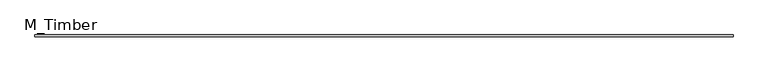
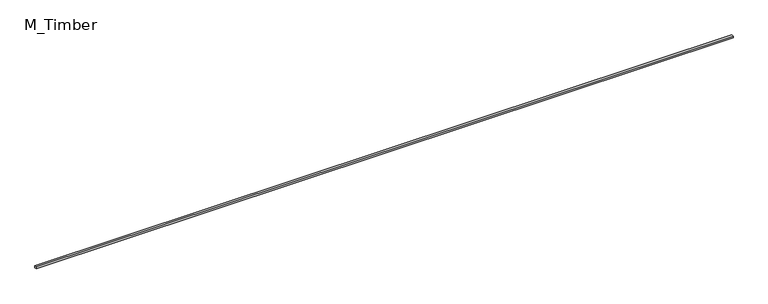
"""IFC4 building model written with IfcOpenShell, lengths in millimetres: beam geometry, M_Timber."""

from ifc_helpers import new_model, si_unit, frame, origin, place, context, project, spatial, polyline, outline, extrude, source, transform, mapped, element, save


def m_timber_0c8c663f(model_context):
    return source(origin(), model_context, "Body", "SweptSolid", [
        extrude(outline(polyline([(6992.6341998, 20.0), (6992.6341998, -20.0), (-6992.6341998, -20.0), (-6992.6341998, 20.0), (6992.6341998, 20.0)])), frame((0.0, 0.0, -20.0), z_axis=(0.0, 0.0, 1.0), x_axis=(1.0, 0.0, 0.0)), (0.0, 0.0, 1.0), 40.0),
    ])


if __name__ == "__main__":
    model = new_model("IFC4")
    model_context = context("Model", 3, world=origin())
    ifc_project = project(units=[si_unit("LENGTHUNIT", "METRE", prefix="MILLI")], contexts=[model_context])
    site = spatial("IfcSite", under=ifc_project)
    building = spatial("IfcBuilding", under=site)
    placement = place(None, origin())
    m_timber_shape = m_timber_0c8c663f(model_context)
    element("IfcBeam", 1, ObjectType="M_Timber", at=placement, inside=building, context=model_context, shape_type="MappedRepresentation", body=[
        mapped(m_timber_shape, transform((0.0, 0.0, 0.0), x_axis=(1.0, 0.0, 0.0), y_axis=(0.0, 1.0, 0.0), z_axis=(0.0, 0.0, 1.0))),
    ])
    save(model, "model.ifc")
